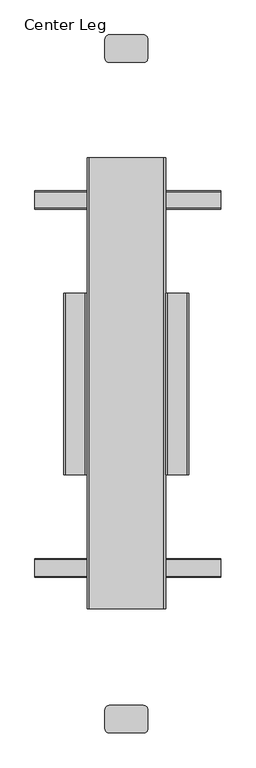
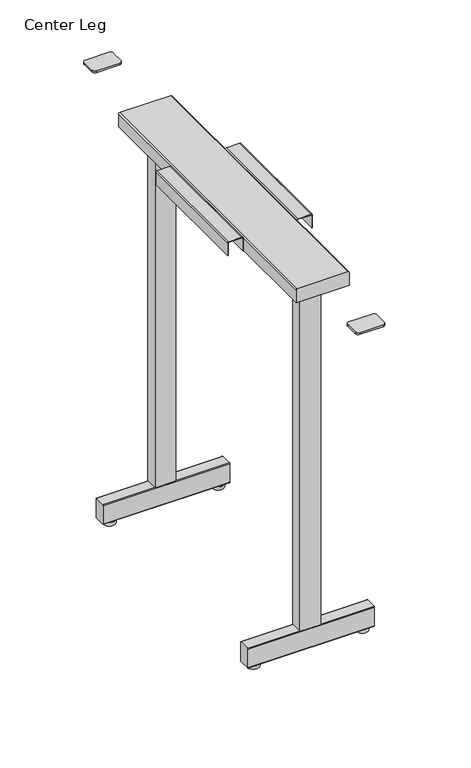
"""IFC4 building model written with IfcOpenShell, lengths in millimetres: furniture geometry, Center Leg."""

from ifc_helpers import new_model, si_unit, point, frame, frame_2d, origin, place, context, project, spatial, polyline, circle_curve, trimmed, segment, composite_curve, outline, extrude, source, transform, mapped, element, save
from ifc_brep_helpers import plane_surface, cylinder_surface, advanced_brep


def center_leg_64b2f8c0(model_context):
    return source(origin(), model_context, "Body", "SolidModel", [
        advanced_brep(
        [(133.647531, -324.7629142, 0.0), (119.4404403, -324.7629142, 0.0), (147.8546216, -324.7629142, 0.0), (119.4404403, -324.7629142, 8.4999997), (147.8546216, -324.7629142, 8.4999997), (128.623092, -324.7629142, 8.4999997), (138.6719699, -324.7629142, 8.4999997), (128.623092, -324.7629142, 16.425781), (138.6719699, -324.7629142, 16.425781), (133.647531, -324.7629142, 16.425781)],
        [
            (0, 1),
            (1, 2, circle_curve(frame((133.647531, -324.7629142, 0.0), z_axis=(0.0, 0.0, -1.0), x_axis=(-1.0, 0.0, 0.0)), 14.2070907)),
            (2, 0),
            (2, 1, circle_curve(frame((133.647531, -324.7629142, 0.0), z_axis=(0.0, 0.0, -1.0), x_axis=(-1.0, 0.0, 0.0)), 14.2070907)),
            (1, 3),
            (3, 4, circle_curve(frame((133.647531, -324.7629142, 8.4999997), z_axis=(0.0, 0.0, -1.0), x_axis=(-1.0, 0.0, 0.0)), 14.2070907)),
            (4, 2),
            (4, 3, circle_curve(frame((133.647531, -324.7629142, 8.4999997), z_axis=(0.0, 0.0, -1.0), x_axis=(-1.0, 0.0, 0.0)), 14.2070907)),
            (3, 5),
            (5, 6, circle_curve(frame((133.647531, -324.7629142, 8.4999997), z_axis=(0.0, 0.0, -1.0), x_axis=(-1.0, 0.0, 0.0)), 5.024439)),
            (6, 4),
            (6, 5, circle_curve(frame((133.647531, -324.7629142, 8.4999997), z_axis=(0.0, 0.0, -1.0), x_axis=(-1.0, 0.0, 0.0)), 5.024439)),
            (5, 7),
            (7, 8, circle_curve(frame((133.647531, -324.7629142, 16.425781), z_axis=(0.0, 0.0, -1.0), x_axis=(-1.0, 0.0, 0.0)), 5.024439)),
            (8, 6),
            (8, 7, circle_curve(frame((133.647531, -324.7629142, 16.425781), z_axis=(0.0, 0.0, -1.0), x_axis=(-1.0, 0.0, 0.0)), 5.024439)),
            (7, 9),
            (9, 8),
        ],
        [
            plane_surface(frame((133.647531, -324.7629142, 0.0), z_axis=(0.0, 0.0, -1.0), x_axis=(-1.0, 0.0, 0.0))),
            cylinder_surface(frame((133.647531, -324.7629142, 16.425781), z_axis=(0.0, 0.0, -1.0), x_axis=(-1.0, 0.0, 0.0)), 14.2070907),
            plane_surface(frame((133.647531, -324.7629142, 8.4999997), z_axis=(0.0, 0.0, 1.0), x_axis=(-1.0, 0.0, 0.0))),
            cylinder_surface(frame((133.647531, -324.7629142, 16.425781), z_axis=(0.0, 0.0, -1.0), x_axis=(-1.0, 0.0, 0.0)), 5.024439),
            plane_surface(frame((133.647531, -324.7629142, 16.425781), z_axis=(0.0, 0.0, 1.0), x_axis=(-1.0, 0.0, 0.0))),
        ],
        [
            (0, [[1, 2, 3]]),
            (0, [[-3, 4, -1]]),
            (1, [[-2, 5, 6, 7]]),
            (1, [[-4, -7, 8, -5]]),
            (2, [[-6, 9, 10, 11]]),
            (2, [[-8, -11, 12, -9]]),
            (3, [[-10, 13, 14, 15]]),
            (3, [[-12, -15, 16, -13]]),
            (4, [[-14, 17, 18]]),
            (4, [[-16, -18, -17]]),
        ],
    ),
        advanced_brep(
        [(-141.6046216, -324.7629142, 0.0), (-113.1904403, -324.7629142, 0.0), (-127.397531, -324.7629142, 0.0), (-141.6046216, -324.7629142, 8.4999997), (-113.1904403, -324.7629142, 8.4999997), (-132.4219699, -324.7629142, 8.4999997), (-122.373092, -324.7629142, 8.4999997), (-132.4219699, -324.7629142, 16.425781), (-122.373092, -324.7629142, 16.425781), (-127.397531, -324.7629142, 16.425781)],
        [
            (0, 1, circle_curve(frame((-127.397531, -324.7629142, 0.0), z_axis=(0.0, 0.0, -1.0), x_axis=(1.0, 0.0, 0.0)), 14.2070907)),
            (1, 2),
            (2, 0),
            (1, 0, circle_curve(frame((-127.397531, -324.7629142, 0.0), z_axis=(0.0, 0.0, -1.0), x_axis=(1.0, 0.0, 0.0)), 14.2070907)),
            (3, 4, circle_curve(frame((-127.397531, -324.7629142, 8.4999997), z_axis=(0.0, 0.0, -1.0), x_axis=(1.0, 0.0, 0.0)), 14.2070907)),
            (4, 1),
            (0, 3),
            (4, 3, circle_curve(frame((-127.397531, -324.7629142, 8.4999997), z_axis=(0.0, 0.0, -1.0), x_axis=(1.0, 0.0, 0.0)), 14.2070907)),
            (5, 6, circle_curve(frame((-127.397531, -324.7629142, 8.4999997), z_axis=(0.0, 0.0, -1.0), x_axis=(1.0, 0.0, 0.0)), 5.024439)),
            (6, 4),
            (3, 5),
            (6, 5, circle_curve(frame((-127.397531, -324.7629142, 8.4999997), z_axis=(0.0, 0.0, -1.0), x_axis=(1.0, 0.0, 0.0)), 5.024439)),
            (7, 8, circle_curve(frame((-127.397531, -324.7629142, 16.425781), z_axis=(0.0, 0.0, -1.0), x_axis=(1.0, 0.0, 0.0)), 5.024439)),
            (8, 6),
            (5, 7),
            (8, 7, circle_curve(frame((-127.397531, -324.7629142, 16.425781), z_axis=(0.0, 0.0, -1.0), x_axis=(1.0, 0.0, 0.0)), 5.024439)),
            (9, 8),
            (7, 9),
        ],
        [
            plane_surface(frame((-127.397531, -324.7629142, 0.0), z_axis=(0.0, 0.0, -1.0), x_axis=(1.0, 0.0, 0.0))),
            cylinder_surface(frame((-127.397531, -324.7629142, 16.425781), z_axis=(0.0, 0.0, 1.0), x_axis=(1.0, 0.0, 0.0)), 14.2070907),
            plane_surface(frame((-127.397531, -324.7629142, 8.4999997), z_axis=(0.0, 0.0, 1.0), x_axis=(1.0, 0.0, 0.0))),
            cylinder_surface(frame((-127.397531, -324.7629142, 16.425781), z_axis=(0.0, 0.0, 1.0), x_axis=(1.0, 0.0, 0.0)), 5.024439),
            plane_surface(frame((-127.397531, -324.7629142, 16.425781), z_axis=(0.0, 0.0, 1.0), x_axis=(1.0, 0.0, 0.0))),
        ],
        [
            (0, [[1, 2, 3]]),
            (0, [[4, -3, -2]]),
            (1, [[5, 6, -1, 7]]),
            (1, [[8, -7, -4, -6]]),
            (2, [[9, 10, -5, 11]]),
            (2, [[12, -11, -8, -10]]),
            (3, [[13, 14, -9, 15]]),
            (3, [[16, -15, -12, -14]]),
            (4, [[17, -13, 18]]),
            (4, [[-18, -16, -17]]),
        ],
    ),
        advanced_brep(
        [(-127.397531, 274.7629142, 0.0), (-113.1904403, 274.7629142, 0.0), (-141.6046216, 274.7629142, 0.0), (-113.1904403, 274.7629142, 8.4999997), (-141.6046216, 274.7629142, 8.4999997), (-122.373092, 274.7629142, 8.4999997), (-132.4219699, 274.7629142, 8.4999997), (-122.373092, 274.7629142, 16.425781), (-132.4219699, 274.7629142, 16.425781), (-127.397531, 274.7629142, 16.425781)],
        [
            (0, 1),
            (1, 2, circle_curve(frame((-127.397531, 274.7629142, 0.0), z_axis=(0.0, 0.0, -1.0), x_axis=(1.0, 0.0, 0.0)), 14.2070907)),
            (2, 0),
            (2, 1, circle_curve(frame((-127.397531, 274.7629142, 0.0), z_axis=(0.0, 0.0, -1.0), x_axis=(1.0, 0.0, 0.0)), 14.2070907)),
            (1, 3),
            (3, 4, circle_curve(frame((-127.397531, 274.7629142, 8.4999997), z_axis=(0.0, 0.0, -1.0), x_axis=(1.0, 0.0, 0.0)), 14.2070907)),
            (4, 2),
            (4, 3, circle_curve(frame((-127.397531, 274.7629142, 8.4999997), z_axis=(0.0, 0.0, -1.0), x_axis=(1.0, 0.0, 0.0)), 14.2070907)),
            (3, 5),
            (5, 6, circle_curve(frame((-127.397531, 274.7629142, 8.4999997), z_axis=(0.0, 0.0, -1.0), x_axis=(1.0, 0.0, 0.0)), 5.024439)),
            (6, 4),
            (6, 5, circle_curve(frame((-127.397531, 274.7629142, 8.4999997), z_axis=(0.0, 0.0, -1.0), x_axis=(1.0, 0.0, 0.0)), 5.024439)),
            (5, 7),
            (7, 8, circle_curve(frame((-127.397531, 274.7629142, 16.425781), z_axis=(0.0, 0.0, -1.0), x_axis=(1.0, 0.0, 0.0)), 5.024439)),
            (8, 6),
            (8, 7, circle_curve(frame((-127.397531, 274.7629142, 16.425781), z_axis=(0.0, 0.0, -1.0), x_axis=(1.0, 0.0, 0.0)), 5.024439)),
            (7, 9),
            (9, 8),
        ],
        [
            plane_surface(frame((-127.397531, 274.7629142, 0.0), z_axis=(0.0, 0.0, -1.0), x_axis=(1.0, 0.0, 0.0))),
            cylinder_surface(frame((-127.397531, 274.7629142, 16.425781), z_axis=(0.0, 0.0, -1.0), x_axis=(1.0, 0.0, 0.0)), 14.2070907),
            plane_surface(frame((-127.397531, 274.7629142, 8.4999997), z_axis=(0.0, 0.0, 1.0), x_axis=(1.0, 0.0, 0.0))),
            cylinder_surface(frame((-127.397531, 274.7629142, 16.425781), z_axis=(0.0, 0.0, -1.0), x_axis=(1.0, 0.0, 0.0)), 5.024439),
            plane_surface(frame((-127.397531, 274.7629142, 16.425781), z_axis=(0.0, 0.0, 1.0), x_axis=(1.0, 0.0, 0.0))),
        ],
        [
            (0, [[1, 2, 3]]),
            (0, [[-3, 4, -1]]),
            (1, [[-2, 5, 6, 7]]),
            (1, [[-4, -7, 8, -5]]),
            (2, [[-6, 9, 10, 11]]),
            (2, [[-8, -11, 12, -9]]),
            (3, [[-10, 13, 14, 15]]),
            (3, [[-12, -15, 16, -13]]),
            (4, [[-14, 17, 18]]),
            (4, [[-16, -18, -17]]),
        ],
    ),
        advanced_brep(
        [(147.8546216, 274.7629142, 0.0), (119.4404403, 274.7629142, 0.0), (133.647531, 274.7629142, 0.0), (147.8546216, 274.7629142, 8.4999997), (119.4404403, 274.7629142, 8.4999997), (138.6719699, 274.7629142, 8.4999997), (128.623092, 274.7629142, 8.4999997), (138.6719699, 274.7629142, 16.425781), (128.623092, 274.7629142, 16.425781), (133.647531, 274.7629142, 16.425781)],
        [
            (0, 1, circle_curve(frame((133.647531, 274.7629142, 0.0), z_axis=(0.0, 0.0, -1.0), x_axis=(-1.0, 0.0, 0.0)), 14.2070907)),
            (1, 2),
            (2, 0),
            (1, 0, circle_curve(frame((133.647531, 274.7629142, 0.0), z_axis=(0.0, 0.0, -1.0), x_axis=(-1.0, 0.0, 0.0)), 14.2070907)),
            (3, 4, circle_curve(frame((133.647531, 274.7629142, 8.4999997), z_axis=(0.0, 0.0, -1.0), x_axis=(-1.0, 0.0, 0.0)), 14.2070907)),
            (4, 1),
            (0, 3),
            (4, 3, circle_curve(frame((133.647531, 274.7629142, 8.4999997), z_axis=(0.0, 0.0, -1.0), x_axis=(-1.0, 0.0, 0.0)), 14.2070907)),
            (5, 6, circle_curve(frame((133.647531, 274.7629142, 8.4999997), z_axis=(0.0, 0.0, -1.0), x_axis=(-1.0, 0.0, 0.0)), 5.024439)),
            (6, 4),
            (3, 5),
            (6, 5, circle_curve(frame((133.647531, 274.7629142, 8.4999997), z_axis=(0.0, 0.0, -1.0), x_axis=(-1.0, 0.0, 0.0)), 5.024439)),
            (7, 8, circle_curve(frame((133.647531, 274.7629142, 16.425781), z_axis=(0.0, 0.0, -1.0), x_axis=(-1.0, 0.0, 0.0)), 5.024439)),
            (8, 6),
            (5, 7),
            (8, 7, circle_curve(frame((133.647531, 274.7629142, 16.425781), z_axis=(0.0, 0.0, -1.0), x_axis=(-1.0, 0.0, 0.0)), 5.024439)),
            (9, 8),
            (7, 9),
        ],
        [
            plane_surface(frame((133.647531, 274.7629142, 0.0), z_axis=(0.0, 0.0, -1.0), x_axis=(-1.0, 0.0, 0.0))),
            cylinder_surface(frame((133.647531, 274.7629142, 16.425781), z_axis=(0.0, 0.0, 1.0), x_axis=(-1.0, 0.0, 0.0)), 14.2070907),
            plane_surface(frame((133.647531, 274.7629142, 8.4999997), z_axis=(0.0, 0.0, 1.0), x_axis=(-1.0, 0.0, 0.0))),
            cylinder_surface(frame((133.647531, 274.7629142, 16.425781), z_axis=(0.0, 0.0, 1.0), x_axis=(-1.0, 0.0, 0.0)), 5.024439),
            plane_surface(frame((133.647531, 274.7629142, 16.425781), z_axis=(0.0, 0.0, 1.0), x_axis=(-1.0, 0.0, 0.0))),
        ],
        [
            (0, [[1, 2, 3]]),
            (0, [[4, -3, -2]]),
            (1, [[5, 6, -1, 7]]),
            (1, [[8, -7, -4, -6]]),
            (2, [[9, 10, -5, 11]]),
            (2, [[12, -11, -8, -10]]),
            (3, [[13, 14, -9, 15]]),
            (3, [[16, -15, -12, -14]]),
            (4, [[17, -13, 18]]),
            (4, [[-18, -16, -17]]),
        ],
    ),
        extrude(outline(composite_curve([segment(trimmed(circle_curve(frame_2d((-312.4611697, 58.5463017)), 1.5), [point((-312.4611697, 60.0463017))], [point((-310.9611697, 58.5463017))], False, "CARTESIAN"), True, "CONTINUOUS"), segment(polyline([(-310.9611697, 58.5463017), (-310.9611697, 11.4995918)]), True, "CONTINUOUS"), segment(trimmed(circle_curve(frame_2d((-312.4611697, 11.4995918)), 1.5), [point((-310.9611697, 11.4995918))], [point((-312.4611697, 9.9995918))], False, "CARTESIAN"), True, "CONTINUOUS"), segment(polyline([(-312.4611697, 9.9995918), (-339.4763561, 9.9995918)]), True, "CONTINUOUS"), segment(trimmed(circle_curve(frame_2d((-339.4763561, 11.4995918)), 1.5), [point((-339.4763561, 9.9995918))], [point((-340.9763561, 11.4995918))], False, "CARTESIAN"), True, "CONTINUOUS"), segment(polyline([(-340.9763561, 11.4995918), (-340.9763561, 58.5463017)]), True, "CONTINUOUS"), segment(trimmed(circle_curve(frame_2d((-339.4763561, 58.5463017)), 1.5), [point((-340.9763561, 58.5463017))], [point((-339.4763561, 60.0463017))], False, "CARTESIAN"), True, "CONTINUOUS"), segment(polyline([(-339.4763561, 60.0463017), (-312.4611697, 60.0463017)]), True, "CONTINUOUS")], self_intersect=False)), frame((-149.5199741, 0.0, 0.0), z_axis=(1.0, 0.0, 0.0), x_axis=(0.0, 1.0, 0.0)), (0.0, 0.0, 1.0), 304.0),
        extrude(outline(composite_curve([segment(polyline([(262.4611697, 60.0463017), (289.4763561, 60.0463017)]), True, "CONTINUOUS"), segment(trimmed(circle_curve(frame_2d((289.4763561, 58.5463017)), 1.5), [point((289.4763561, 60.0463017))], [point((290.9763561, 58.5463017))], False, "CARTESIAN"), True, "CONTINUOUS"), segment(polyline([(290.9763561, 58.5463017), (290.9763561, 11.4995918)]), True, "CONTINUOUS"), segment(trimmed(circle_curve(frame_2d((289.4763561, 11.4995918)), 1.5), [point((290.9763561, 11.4995918))], [point((289.4763561, 9.9995918))], False, "CARTESIAN"), True, "CONTINUOUS"), segment(polyline([(289.4763561, 9.9995918), (262.4611697, 9.9995918)]), True, "CONTINUOUS"), segment(trimmed(circle_curve(frame_2d((262.4611697, 11.4995918)), 1.5), [point((262.4611697, 9.9995918))], [point((260.9611697, 11.4995918))], False, "CARTESIAN"), True, "CONTINUOUS"), segment(polyline([(260.9611697, 11.4995918), (260.9611697, 58.5463017)]), True, "CONTINUOUS"), segment(trimmed(circle_curve(frame_2d((262.4611697, 58.5463017)), 1.5), [point((260.9611697, 58.5463017))], [point((262.4611697, 60.0463017))], False, "CARTESIAN"), True, "CONTINUOUS")], self_intersect=False)), frame((-149.5199741, 0.0, 0.0), z_axis=(1.0, 0.0, 0.0), x_axis=(0.0, 1.0, 0.0)), (0.0, 0.0, 1.0), 304.0),
        extrude(outline(composite_curve([segment(trimmed(circle_curve(frame_2d((28.0219183, 538.7072634)), 7.0), [point((28.0219183, 545.7072634))], [point((35.0219183, 538.7072634))], False, "CARTESIAN"), True, "CONTINUOUS"), segment(polyline([(35.0219183, 538.7072634), (35.0219183, 507.7072704)]), True, "CONTINUOUS"), segment(trimmed(circle_curve(frame_2d((28.0219183, 507.7072704)), 7.0), [point((35.0219183, 507.7072704))], [point((28.0219183, 500.7072704))], False, "CARTESIAN"), True, "CONTINUOUS"), segment(polyline([(28.0219183, 500.7072704), (-27.9780816, 500.7072704)]), True, "CONTINUOUS"), segment(trimmed(circle_curve(frame_2d((-27.9780816, 507.7072704)), 7.0), [point((-27.9780816, 500.7072704))], [point((-34.9780816, 507.7072704))], False, "CARTESIAN"), True, "CONTINUOUS"), segment(polyline([(-34.9780816, 507.7072704), (-34.9780816, 538.7072634)]), True, "CONTINUOUS"), segment(trimmed(circle_curve(frame_2d((-27.9780816, 538.7072634)), 7.0), [point((-34.9780816, 538.7072634))], [point((-27.9780816, 545.7072634))], False, "CARTESIAN"), True, "CONTINUOUS"), segment(polyline([(-27.9780816, 545.7072634), (28.0219183, 545.7072634)]), True, "CONTINUOUS")], self_intersect=False)), frame((0.0, 0.0, 970.4695046), z_axis=(0.0, 0.0, 1.0), x_axis=(1.0, 0.0, 0.0)), (0.0, 0.0, 1.0), 4.5304954),
        extrude(outline(composite_curve([segment(trimmed(circle_curve(frame_2d((28.0219183, -557.7072704)), 7.0), [point((28.0219183, -550.7072704))], [point((35.0219183, -557.7072704))], False, "CARTESIAN"), True, "CONTINUOUS"), segment(polyline([(35.0219183, -557.7072704), (35.0219183, -588.7072634)]), True, "CONTINUOUS"), segment(trimmed(circle_curve(frame_2d((28.0219183, -588.7072634)), 7.0), [point((35.0219183, -588.7072634))], [point((28.0219183, -595.7072634))], False, "CARTESIAN"), True, "CONTINUOUS"), segment(polyline([(28.0219183, -595.7072634), (-27.9780816, -595.7072634)]), True, "CONTINUOUS"), segment(trimmed(circle_curve(frame_2d((-27.9780816, -588.7072634)), 7.0), [point((-27.9780816, -595.7072634))], [point((-34.9780816, -588.7072634))], False, "CARTESIAN"), True, "CONTINUOUS"), segment(polyline([(-34.9780816, -588.7072634), (-34.9780816, -557.7072704)]), True, "CONTINUOUS"), segment(trimmed(circle_curve(frame_2d((-27.9780816, -557.7072704)), 7.0), [point((-34.9780816, -557.7072704))], [point((-27.9780816, -550.7072704))], False, "CARTESIAN"), True, "CONTINUOUS"), segment(polyline([(-27.9780816, -550.7072704), (28.0219183, -550.7072704)]), True, "CONTINUOUS")], self_intersect=False)), frame((0.0, 0.0, 970.4695046), z_axis=(0.0, 0.0, 1.0), x_axis=(1.0, 0.0, 0.0)), (0.0, 0.0, 1.0), 4.5304954),
        extrude(outline(polyline([(25.0258238, -310.9611697), (25.0258238, -340.9763561), (-24.7280819, -340.9763561), (-24.7280819, -310.9611697), (25.0258238, -310.9611697)])), frame((0.0, 0.0, 60.0463017), z_axis=(0.0, 0.0, 1.0), x_axis=(1.0, 0.0, 0.0)), (0.0, 0.0, 1.0), 879.9536016),
        extrude(outline(polyline([(25.0219178, 290.9763561), (25.0219178, 260.9611697), (-24.9780826, 260.9611697), (-24.9780826, 290.9763561), (25.0219178, 290.9763561)])), frame((0.0, 0.0, 60.0463017), z_axis=(0.0, 0.0, 1.0), x_axis=(1.0, 0.0, 0.0)), (0.0, 0.0, 1.0), 879.9536016),
        extrude(outline(composite_curve([segment(polyline([(939.9995333, -99.9780824), (971.9995539, -99.9780824)]), True, "CONTINUOUS"), segment(trimmed(circle_curve(frame_2d((971.9995539, -98.9780824)), 1.0), [point((971.9995539, -99.9780824))], [point((972.9995539, -98.9780824))], True, "CARTESIAN"), True, "CONTINUOUS"), segment(polyline([(972.9995539, -98.9780824), (972.9995539, -66.978082)]), True, "CONTINUOUS"), segment(trimmed(circle_curve(frame_2d((971.9995539, -66.978082)), 1.0), [point((972.9995539, -66.978082))], [point((971.9995539, -65.978082))], True, "CARTESIAN"), True, "CONTINUOUS"), segment(polyline([(971.9995539, -65.978082), (939.9995333, -65.978082), (939.9995333, -63.9780799), (971.4609094, -63.9780799)]), True, "CONTINUOUS"), segment(trimmed(circle_curve(frame_2d((971.4609094, -67.5171705)), 3.5390906), [point((971.4609094, -63.9780799))], [point((975.0, -67.5171705))], False, "CARTESIAN"), True, "CONTINUOUS"), segment(polyline([(975.0, -67.5171705), (975.0, -99.155619)]), True, "CONTINUOUS"), segment(trimmed(circle_curve(frame_2d((972.1775405, -99.155619)), 2.8224595), [point((975.0, -99.155619))], [point((972.1775405, -101.9780784))], False, "CARTESIAN"), True, "CONTINUOUS"), segment(polyline([(972.1775405, -101.9780784), (939.9995333, -101.9780784), (939.9995333, -99.9780824)]), True, "CONTINUOUS")], self_intersect=False)), frame((0.0, -173.7072561, 0.0), z_axis=(0.0, 1.0, 0.0), x_axis=(0.0, 0.0, 1.0)), (0.0, 0.0, 1.0), 297.4145122),
        extrude(outline(composite_curve([segment(polyline([(939.9995333, 100.0219222), (939.9995333, 102.0219182), (972.1775405, 102.0219182)]), True, "CONTINUOUS"), segment(trimmed(circle_curve(frame_2d((972.1775405, 99.1994587)), 2.8224595), [point((972.1775405, 102.0219182))], [point((975.0, 99.1994587))], False, "CARTESIAN"), True, "CONTINUOUS"), segment(polyline([(975.0, 99.1994587), (975.0, 67.5610102)]), True, "CONTINUOUS"), segment(trimmed(circle_curve(frame_2d((971.4609094, 67.5610102)), 3.5390906), [point((975.0, 67.5610102))], [point((971.4609094, 64.0219196))], False, "CARTESIAN"), True, "CONTINUOUS"), segment(polyline([(971.4609094, 64.0219196), (939.9995333, 64.0219196), (939.9995333, 66.0219217), (971.9995539, 66.0219217)]), True, "CONTINUOUS"), segment(trimmed(circle_curve(frame_2d((971.9995539, 67.0219217)), 1.0), [point((971.9995539, 66.0219217))], [point((972.9995539, 67.0219217))], True, "CARTESIAN"), True, "CONTINUOUS"), segment(polyline([(972.9995539, 67.0219217), (972.9995539, 99.0219222)]), True, "CONTINUOUS"), segment(trimmed(circle_curve(frame_2d((971.9995539, 99.0219222)), 1.0), [point((972.9995539, 99.0219222))], [point((971.9995539, 100.0219222))], True, "CARTESIAN"), True, "CONTINUOUS"), segment(polyline([(971.9995539, 100.0219222), (939.9995333, 100.0219222)]), True, "CONTINUOUS")], self_intersect=False)), frame((0.0, -173.7072561, 0.0), z_axis=(0.0, 1.0, 0.0), x_axis=(0.0, 0.0, 1.0)), (0.0, 0.0, 1.0), 297.4145122),
        extrude(outline(composite_curve([segment(polyline([(975.0, 60.6673423), (975.0, -60.6673423)]), True, "CONTINUOUS"), segment(trimmed(circle_curve(frame_2d((971.6892624, -60.6673423)), 3.3107376), [point((975.0, -60.6673423))], [point((971.6892624, -63.9780799))], False, "CARTESIAN"), True, "CONTINUOUS"), segment(polyline([(971.6892624, -63.9780799), (939.999976, -63.9780799), (939.999976, 64.0219196), (971.6454226, 64.0219196)]), True, "CONTINUOUS"), segment(trimmed(circle_curve(frame_2d((971.6454226, 60.6673423)), 3.3545774), [point((971.6454226, 64.0219196))], [point((975.0, 60.6673423))], False, "CARTESIAN"), True, "CONTINUOUS")], self_intersect=False)), frame((0.0, -392.9739505, 0.0), z_axis=(0.0, 1.0, 0.0), x_axis=(0.0, 0.0, 1.0)), (0.0, 0.0, 1.0), 738.0058594),
        extrude(outline(composite_curve([segment(polyline([(964.9999762, 101.9999968), (972.2639206, 101.9999968)]), True, "CONTINUOUS"), segment(trimmed(circle_curve(frame_2d((972.2639206, 99.2639174)), 2.7360794), [point((972.2639206, 101.9999968))], [point((975.0, 99.2639174))], False, "CARTESIAN"), True, "CONTINUOUS"), segment(polyline([(975.0, 99.2639174), (975.0, 67.4243659)]), True, "CONTINUOUS"), segment(trimmed(circle_curve(frame_2d((971.5717269, 67.4243659)), 3.4282731), [point((975.0, 67.4243659))], [point((971.5717269, 63.9960928))], False, "CARTESIAN"), True, "CONTINUOUS"), segment(polyline([(971.5717269, 63.9960928), (939.9999033, 63.9960928), (939.9999033, 66.0000003), (971.8821336, 66.0000003)]), True, "CONTINUOUS"), segment(trimmed(circle_curve(frame_2d((971.8821336, 67.1177906)), 1.1177903), [point((971.8821336, 66.0000003))], [point((972.9999239, 67.1177906))], True, "CARTESIAN"), True, "CONTINUOUS"), segment(polyline([(972.9999239, 67.1177906), (972.9999239, 99.3771905)]), True, "CONTINUOUS"), segment(trimmed(circle_curve(frame_2d((972.3771136, 99.3771905)), 0.6228103), [point((972.9999239, 99.3771905))], [point((972.3771136, 100.0000008))], True, "CARTESIAN"), True, "CONTINUOUS"), segment(polyline([(972.3771136, 100.0000008), (964.9999762, 100.0000008), (964.9999762, 101.9999968)]), True, "CONTINUOUS")], self_intersect=False)), frame((0.0, -173.7072561, 0.0), z_axis=(0.0, 1.0, 0.0), x_axis=(0.0, 0.0, 1.0)), (0.0, 0.0, 1.0), 297.4145122),
    ])


if __name__ == "__main__":
    model = new_model("IFC4")
    model_context = context("Model", 3, world=origin())
    ifc_project = project(units=[si_unit("LENGTHUNIT", "METRE", prefix="MILLI")], contexts=[model_context])
    site = spatial("IfcSite", under=ifc_project)
    building = spatial("IfcBuilding", under=site)
    placement = place(None, origin())
    center_leg_shape = center_leg_64b2f8c0(model_context)
    element("IfcFurniture", 1, ObjectType="Center Leg", at=placement, inside=building, context=model_context, shape_type="MappedRepresentation", body=[
        mapped(center_leg_shape, transform((0.0, 0.0, 0.0), x_axis=(1.0, 0.0, 0.0), y_axis=(0.0, 1.0, 0.0), z_axis=(0.0, 0.0, 1.0))),
    ])
    save(model, "model.ifc")
